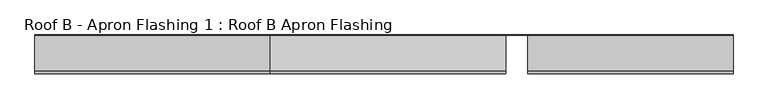
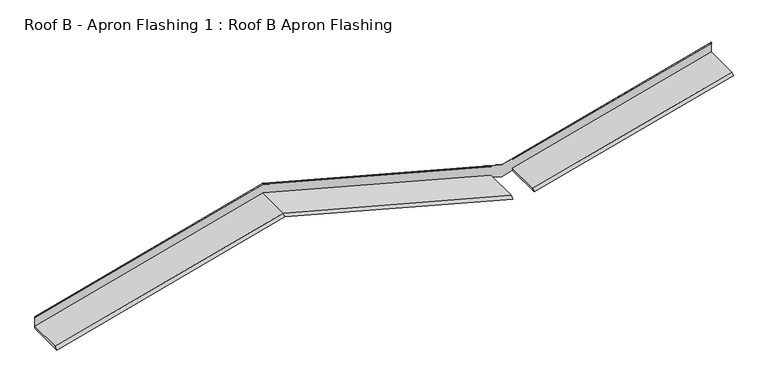
"""IFC4 building model written with IfcOpenShell, lengths in millimetres: proxy geometry, Roof B - Apron Flashing 1 : Roof B Apron Flashing."""

from ifc_helpers import new_model, si_unit, frame, origin, place, context, project, spatial, ellipse_curve, source, transform, mapped, element, save
from ifc_brep_helpers import plane_surface, cylinder_surface, advanced_brep


def roof_b_apron_flashing_1_roof_b_apron_flashing_100ae601(model_context):
    return source(origin(), model_context, "Body", "AdvancedBrep", [
        advanced_brep(
        [(2000.0, -488.4050751, 3993.4914166), (2000.0, -515.4050751, 3965.5389597), (4592.292347, -515.4050751, 3270.9363188), (4592.292347, -488.4050751, 3298.8887757), (2000.0, -85.5, 3965.5389597), (4715.0, -85.5, 3238.0569023), (4715.0, -86.5, 3238.0569023), (4592.292347, -86.5, 3270.9363188), (2000.0, -86.7239884, 4106.5414436), (2000.0, -90.5139698, 4100.4995101), (4592.292347, -90.5139698, 3405.8968692), (4592.292347, -86.7239884, 3411.9388026), (2000.0, -86.5, 3993.4914166), (4592.292347, -86.5, 3298.8887757), (-592.3642623, -515.4050751, 3270.9170492), (-592.3642623, -85.5, 3270.9170492), (-592.3642623, -86.7239884, 3411.919533), (-592.3642623, -90.5139698, 3405.8775996), (-592.3642623, -86.5, 3298.869506), (-592.3642623, -488.4050751, 3298.869506), (4837.292347, -488.4050751, 3298.7774948), (4837.292347, -515.4050751, 3270.8250379), (7098.363155, -515.4050751, 3876.6771349), (7098.363155, -488.4050751, 3904.6295918), (4898.525907, -85.5, 3287.2325209), (4898.525907, -477.4175022, 3287.2325209), (7098.363155, -477.4175022, 3876.6771349), (4837.292347, -86.5, 3270.8250379), (-592.3642623, -85.5, 3411.5441813), (2000.0, -85.5, 4106.1660919), (4715.0, -85.5, 3378.6840344), (7098.363155, -85.5, 4017.3042671), (7098.363155, -85.5, 3903.6072157), (4898.525907, -85.5, 3314.1626016), (4837.292347, -86.7239884, 3411.8275217), (4837.292347, -90.5139698, 3405.7855883), (7098.363155, -90.5139698, 4011.6376853), (7098.363155, -86.7239884, 4017.6796188), (4837.292347, -86.5, 3298.7774948), (7098.363155, -86.5, 3904.6295918), (7098.363155, -86.5, 4016.1358495), (4837.292347, -86.5, 3410.2837525), (4837.292347, -86.5, 3412.0481369), (4715.0, -86.5, 3379.2800012), (4592.292347, -86.5, 3412.1594178), (4592.292347, -86.5, 3410.3950334), (2000.0, -86.5, 4104.9976743), (-592.3642623, -86.5, 3410.3757638), (4837.292347, -89.6752992, 3405.2217365), (7098.363155, -89.6752992, 4011.0738335), (2000.0, -89.6752992, 4099.9356583), (4592.292347, -89.6752992, 3405.3330174), (-592.3642623, -89.6752992, 3405.3137477), (4898.525907, -477.4175022, 3314.1626016), (7098.363155, -477.4175022, 3903.6072157)],
        [
            (0, 1),
            (1, 2),
            (2, 3),
            (3, 0),
            (1, 4),
            (4, 5),
            (5, 6),
            (6, 7),
            (7, 2),
            (8, 9),
            (9, 10),
            (10, 11),
            (11, 8),
            (12, 0),
            (3, 13),
            (13, 12),
            (1, 14),
            (14, 15),
            (15, 4),
            (8, 16),
            (16, 17),
            (17, 9),
            (12, 18),
            (18, 19),
            (19, 0),
            (20, 21),
            (21, 22),
            (22, 23),
            (23, 20),
            (5, 24),
            (24, 25),
            (25, 26),
            (26, 22),
            (21, 27),
            (27, 6),
            (15, 28),
            (28, 29),
            (29, 30),
            (30, 31),
            (31, 32),
            (32, 33),
            (33, 24),
            (34, 35),
            (35, 36),
            (36, 37),
            (37, 34),
            (13, 7),
            (27, 38),
            (38, 39),
            (39, 40),
            (40, 41),
            (41, 42),
            (42, 43),
            (43, 44),
            (44, 45),
            (45, 46),
            (46, 47),
            (47, 18),
            (38, 20),
            (23, 39),
            (30, 43, ellipse_curve(frame((4715.0, -86.1656921, 3378.6840344), z_axis=(1.0, 0.0, 0.0), x_axis=(0.0, 0.0, 1.0)), 0.6891751, 0.6656921)),
            (42, 34, ellipse_curve(frame((4837.292347, -86.1656921, 3411.4521701), z_axis=(1.0, 0.0, 0.0), x_axis=(0.0, 0.0, 1.0)), 0.6891751, 0.6656921)),
            (37, 31, ellipse_curve(frame((7098.363155, -86.1656921, 4017.3042671), z_axis=(-1.0, 0.0, 0.0), x_axis=(0.0, 0.0, 1.0)), 0.6891751, 0.6656921)),
            (35, 48, ellipse_curve(frame((4837.292347, -90.0946345, 3405.5036624), z_axis=(1.0, 0.0, 0.0), x_axis=(0.0, 0.0, 1.0)), 0.5176381, 0.5)),
            (48, 49),
            (49, 36, ellipse_curve(frame((7098.363155, -90.0946345, 4011.3557594), z_axis=(-1.0, 0.0, 0.0), x_axis=(0.0, 0.0, 1.0)), 0.5176381, 0.5)),
            (48, 41),
            (40, 49),
            (29, 8, ellipse_curve(frame((2000.0, -86.1656921, 4106.1660919), z_axis=(1.0, 0.0, 0.0), x_axis=(0.0, 0.0, -1.0)), 0.6891751, 0.6656921)),
            (11, 44, ellipse_curve(frame((4592.292347, -86.1656921, 3411.563451), z_axis=(-1.0, 0.0, 0.0), x_axis=(0.0, 0.0, -1.0)), 0.6891751, 0.6656921)),
            (9, 50, ellipse_curve(frame((2000.0, -90.0946345, 4100.2175842), z_axis=(1.0, 0.0, 0.0), x_axis=(0.0, 0.0, -1.0)), 0.5176381, 0.5)),
            (50, 51),
            (51, 10, ellipse_curve(frame((4592.292347, -90.0946345, 3405.6149433), z_axis=(-1.0, 0.0, 0.0), x_axis=(0.0, 0.0, -1.0)), 0.5176381, 0.5)),
            (50, 46),
            (45, 51),
            (28, 16, ellipse_curve(frame((-592.3642623, -86.1656921, 3411.5441813), z_axis=(1.0, 0.0, 0.0), x_axis=(0.0, 0.0, 1.0)), 0.6891751, 0.6656921)),
            (17, 52, ellipse_curve(frame((-592.3642623, -90.0946345, 3405.5956737), z_axis=(1.0, 0.0, 0.0), x_axis=(0.0, 0.0, 1.0)), 0.5176381, 0.5)),
            (52, 50),
            (52, 47),
            (19, 14),
            (25, 53),
            (53, 54),
            (54, 26),
            (53, 33),
            (32, 54),
        ],
        [
            plane_surface(frame((4715.0, -488.4050751, 3266.0093592), z_axis=(0.18301270189221883, -0.7071067811865478, 0.6830127018922193), x_axis=(-0.9659258262890684, 0.0, 0.2588190451025201))),
            plane_surface(frame((4715.0, -515.4050751, 3238.0569023), z_axis=(-0.2588190451025201, 0.0, -0.9659258262890684), x_axis=(-0.9659258262890684, 0.0, 0.2588190451025201))),
            plane_surface(frame((4715.0, -86.7239884, 3379.0593861), z_axis=(0.14096295496814815, -0.838670567945422, 0.5260809099261741), x_axis=(-0.9659258262890685, 0.0, 0.2588190451025201))),
            plane_surface(frame((4715.0, -86.5, 3266.0093592), z_axis=(0.2588190451025201, 0.0, 0.9659258262890684), x_axis=(-0.9659258262890684, 0.0, 0.2588190451025201))),
            plane_surface(frame((2000.0, -515.4050751, 3965.5389597), z_axis=(0.25881904510251996, 0.0, -0.9659258262890685), x_axis=(-0.9659258262890685, 0.0, -0.25881904510251996))),
            plane_surface(frame((2000.0, -86.7239884, 4106.5414436), z_axis=(-0.1409629549681481, -0.8386705679454222, 0.526080909926174), x_axis=(-0.9659258262890685, 0.0, -0.25881904510252))),
            plane_surface(frame((2000.0, -86.5, 3993.4914166), z_axis=(-0.2588190451025201, 0.0, 0.9659258262890684), x_axis=(-0.9659258262890684, 0.0, -0.2588190451025201))),
            plane_surface(frame((7217.9826273, -488.4050751, 3936.6815328), z_axis=(-0.18301270189221663, -0.7071067811865478, 0.6830127018922197), x_axis=(-0.9659258262890693, 0.0, -0.258819045102517))),
            plane_surface(frame((7224.9707415, -515.4050751, 3910.6015355), z_axis=(0.2588190451025171, 0.0, -0.9659258262890693), x_axis=(-0.9659258262890693, 0.0, -0.2588190451025171))),
            plane_surface(frame((7224.9707415, -85.5, 3910.6015355), z_axis=(0.0, 1.0, 0.0), x_axis=(-0.9659258262890693, 0.0, -0.2588190451025171))),
            plane_surface(frame((7189.7201206, -86.7239884, 4042.1586439), z_axis=(-0.1409629549681465, -0.8386705679454222, 0.5260809099261744), x_axis=(-0.9659258262890693, 0.0, -0.25881904510251713))),
            plane_surface(frame((7190.1060629, -86.5, 4040.7182876), z_axis=(0.0, -1.0, 0.0), x_axis=(-0.9659258262890693, 0.0, -0.258819045102517))),
            plane_surface(frame((7217.9826273, -86.5, 3936.6815328), z_axis=(-0.2588190451025169, 0.0, 0.9659258262890694), x_axis=(-0.9659258262890694, 0.0, -0.2588190451025169))),
            cylinder_surface(frame((7189.8139585, -86.1656921, 4041.808436), z_axis=(0.9659258262890694, 0.0, 0.2588190451025169), x_axis=(-0.2588190451025169, 0.0, 0.9659258262890694)), 0.6656921),
            cylinder_surface(frame((7191.3010854, -90.0946345, 4036.2584028), z_axis=(0.9659258262890694, 0.0, 0.2588190451025169), x_axis=(-0.2588190451025169, 0.0, 0.9659258262890694)), 0.5),
            plane_surface(frame((7191.3715669, -89.6752992, 4035.9953624), z_axis=(0.1409629549681444, 0.8386705679454272, -0.5260809099261671), x_axis=(-0.9659258262890694, 0.0, -0.2588190451025169))),
            cylinder_surface(frame((4770.9117064, -86.1656921, 3363.7025379), z_axis=(0.9659258262890684, 0.0, -0.2588190451025201), x_axis=(0.2588190451025201, 0.0, 0.9659258262890684)), 0.6656921),
            cylinder_surface(frame((4769.4245795, -90.0946345, 3358.1525047), z_axis=(0.9659258262890684, 0.0, -0.2588190451025201), x_axis=(0.2588190451025201, 0.0, 0.9659258262890684)), 0.5),
            plane_surface(frame((4715.0, -89.6752992, 3372.4536009), z_axis=(-0.14096295496814612, 0.8386705679454273, -0.5260809099261665), x_axis=(-0.9659258262890685, 0.0, 0.2588190451025201))),
            cylinder_surface(frame((1944.0882936, -86.1656921, 4091.1845953), z_axis=(0.9659258262890684, 0.0, 0.2588190451025201), x_axis=(-0.2588190451025201, 0.0, 0.9659258262890684)), 0.6656921),
            cylinder_surface(frame((1945.5754205, -90.0946345, 4085.6345621), z_axis=(0.9659258262890684, 0.0, 0.2588190451025201), x_axis=(-0.2588190451025201, 0.0, 0.9659258262890684)), 0.5),
            plane_surface(frame((2000.0, -89.6752992, 4099.9356583), z_axis=(0.1409629549681462, 0.838670567945427, -0.5260809099261665), x_axis=(-0.9659258262890684, 0.0, -0.25881904510252024))),
            plane_surface(frame((2000.0, -488.4050751, 3993.4914166), z_axis=(-0.18301270189221863, -0.7071067811865479, 0.6830127018922192), x_axis=(-0.9659258262890685, 0.0, -0.2588190451025199))),
            plane_surface(frame((-592.3642623, -5046.7244148, 4191.6207588), z_axis=(-1.0, 0.0, 0.0), x_axis=(0.0, 0.0, -1.0))),
            plane_surface(frame((4837.292347, -795.5629082, 3660.9894786), z_axis=(-1.0, 0.0, 0.0), x_axis=(0.0, 0.0, -1.0))),
            plane_surface(frame((4592.292347, -86.5, 3660.9894786), z_axis=(1.0, 0.0, 0.0), x_axis=(0.0, 0.0, -1.0))),
            plane_surface(frame((4898.525907, -477.4175022, 3214.1626016), z_axis=(0.0, 1.0, 0.0), x_axis=(1.0, 0.0, 0.0))),
            plane_surface(frame((7613.525907, -477.4175022, 4041.6446591), z_axis=(0.25881904510251846, 0.0, -0.965925826289069), x_axis=(0.0, 1.0, 0.0))),
            plane_surface(frame((4898.525907, -477.4175022, 3314.1626016), z_axis=(1.0, 0.0, 0.0), x_axis=(0.0, 1.0, 0.0))),
            plane_surface(frame((7098.363155, -2865.0160332, 4310.4787487), z_axis=(1.0, 0.0, 0.0), x_axis=(0.0, 1.0, 0.0))),
        ],
        [
            (0, [[1, 2, 3, 4]]),
            (1, [[5, 6, 7, 8, 9, -2]]),
            (2, [[10, 11, 12, 13]]),
            (3, [[14, -4, 15, 16]]),
            (4, [[-5, 17, 18, 19]]),
            (5, [[-10, 20, 21, 22]]),
            (6, [[-14, 23, 24, 25]]),
            (7, [[26, 27, 28, 29]]),
            (8, [[-7, 30, 31, 32, 33, -27, 34, 35]]),
            (9, [[-6, -19, 36, 37, 38, 39, 40, 41, 42, -30]]),
            (10, [[43, 44, 45, 46]]),
            (11, [[-23, -16, 47, -8, -35, 48, 49, 50, 51, 52, 53, 54, 55, 56, 57, 58]]),
            (12, [[59, -29, 60, -49]]),
            (13, [[61, -53, 62, -46, 63, -39]]),
            (14, [[64, 65, 66, -44]]),
            (15, [[67, -51, 68, -65]]),
            (16, [[-38, 69, -13, 70, -54, -61]]),
            (17, [[71, 72, 73, -11]]),
            (18, [[74, -56, 75, -72]]),
            (19, [[-69, -37, 76, -20]]),
            (20, [[-71, -22, 77, 78]]),
            (21, [[-74, -78, 79, -57]]),
            (22, [[-1, -25, 80, -17]]),
            (23, [[-18, -80, -24, -58, -79, -77, -21, -76, -36]]),
            (24, [[-48, -34, -26, -59]]),
            (24, [[-52, -67, -64, -43, -62]]),
            (25, [[-47, -15, -3, -9]]),
            (25, [[-55, -70, -12, -73, -75]]),
            (26, [[81, 82, 83, -32]]),
            (27, [[84, -41, 85, -82]]),
            (28, [[-81, -31, -42, -84]]),
            (29, [[-28, -33, -83, -85, -40, -63, -45, -66, -68, -50, -60]]),
        ],
    ),
    ])


if __name__ == "__main__":
    model = new_model("IFC4")
    model_context = context("Model", 3, world=origin())
    ifc_project = project(units=[si_unit("LENGTHUNIT", "METRE", prefix="MILLI")], contexts=[model_context])
    site = spatial("IfcSite", under=ifc_project)
    building = spatial("IfcBuilding", under=site)
    placement = place(None, origin())
    roof_b_apron_flashing_1_roof_b_apron_flashing_shape = roof_b_apron_flashing_1_roof_b_apron_flashing_100ae601(model_context)
    element("IfcBuildingElementProxy", 1, Name="Roof B - Apron Flashing 1 : Roof B Apron Flashing", ObjectType="Roof B - Apron Flashing 1 : Roof B Apron Flashing", at=placement, inside=building, context=model_context, shape_type="MappedRepresentation", body=[
        mapped(roof_b_apron_flashing_1_roof_b_apron_flashing_shape, transform((0.0, 0.0, 0.0), x_axis=(1.0, 0.0, 0.0), y_axis=(0.0, 1.0, 0.0), z_axis=(0.0, 0.0, 1.0))),
    ])
    save(model, "model.ifc")
